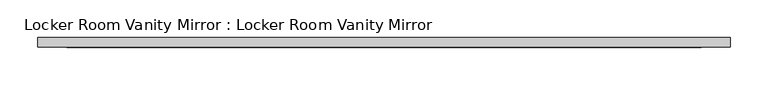
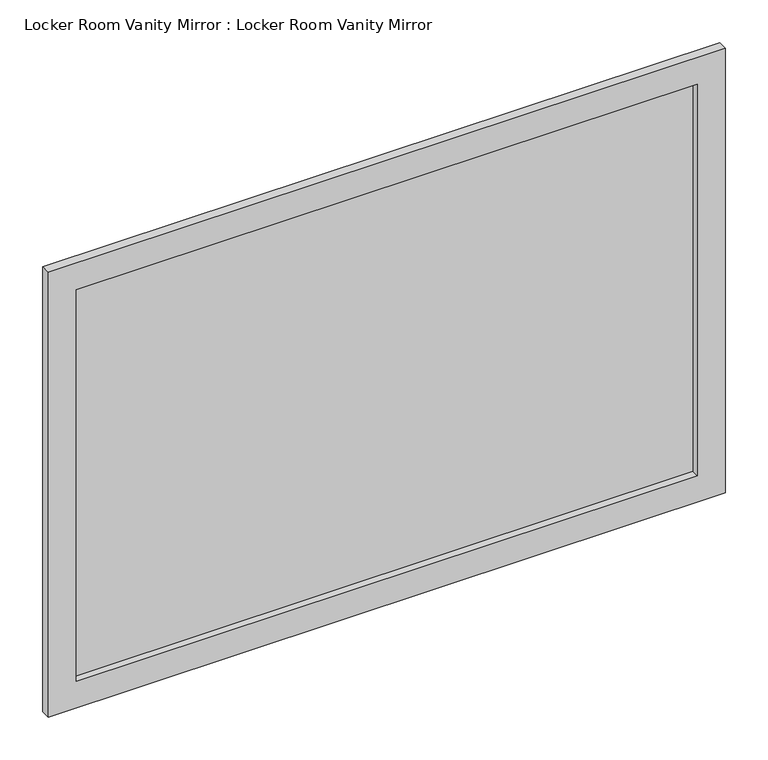
"""IFC4 building model written with IfcOpenShell, lengths in millimetres: furniture geometry, Locker Room Vanity Mirror : Locker Room Vanity Mirror."""

from ifc_helpers import new_model, si_unit, frame, origin, place, context, project, spatial, polyline, outline, extrude, source, transform, mapped, element, save


def locker_room_vanity_mirror_locker_room_vanity_mirror_128cd86d(model_context):
    return source(origin(), model_context, "Body", "SweptSolid", [
        extrude(outline(polyline([(419.1, -3.175), (-419.1, -3.175), (-419.1, 0.0), (419.1, 0.0), (419.1, -3.175)])), frame((0.0, 0.0, 38.1), z_axis=(0.0, 0.0, 1.0), x_axis=(1.0, 0.0, 0.0)), (0.0, 0.0, 1.0), 558.8),
        extrude(outline(polyline([(419.1, -3.175), (-419.1, -3.175), (-419.1, 0.0), (419.1, 0.0), (419.1, -3.175)])), frame((0.0, 0.0, 38.1), z_axis=(0.0, 0.0, 1.0), x_axis=(1.0, 0.0, 0.0)), (0.0, 0.0, 1.0), 558.8),
        extrude(outline(polyline([(635.0, 457.2), (635.0, -457.2), (0.0, -457.2), (0.0, 457.2), (635.0, 457.2)]), holes=[polyline([(596.9, -419.1), (596.9, 419.1), (38.1, 419.1), (38.1, -419.1), (596.9, -419.1)])]), frame((0.0, -12.7, 0.0), z_axis=(0.0, 1.0, 0.0), x_axis=(0.0, 0.0, 1.0)), (0.0, 0.0, 1.0), 12.7),
    ])


if __name__ == "__main__":
    model = new_model("IFC4")
    model_context = context("Model", 3, world=origin())
    ifc_project = project(units=[si_unit("LENGTHUNIT", "METRE", prefix="MILLI")], contexts=[model_context])
    site = spatial("IfcSite", under=ifc_project)
    building = spatial("IfcBuilding", under=site)
    placement = place(None, origin())
    locker_room_vanity_mirror_locker_room_vanity_mirror_shape = locker_room_vanity_mirror_locker_room_vanity_mirror_128cd86d(model_context)
    element("IfcFurniture", 1, ObjectType="Locker Room Vanity Mirror : Locker Room Vanity Mirror", at=placement, inside=building, context=model_context, shape_type="MappedRepresentation", body=[
        mapped(locker_room_vanity_mirror_locker_room_vanity_mirror_shape, transform((0.0, 0.0, 0.0), x_axis=(1.0, 0.0, 0.0), y_axis=(0.0, 1.0, 0.0), z_axis=(0.0, 0.0, 1.0))),
    ])
    save(model, "model.ifc")
